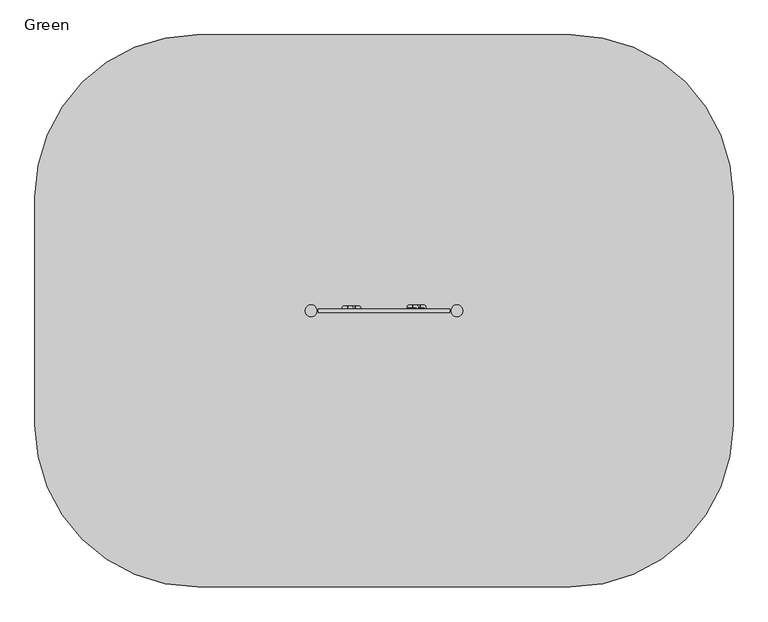
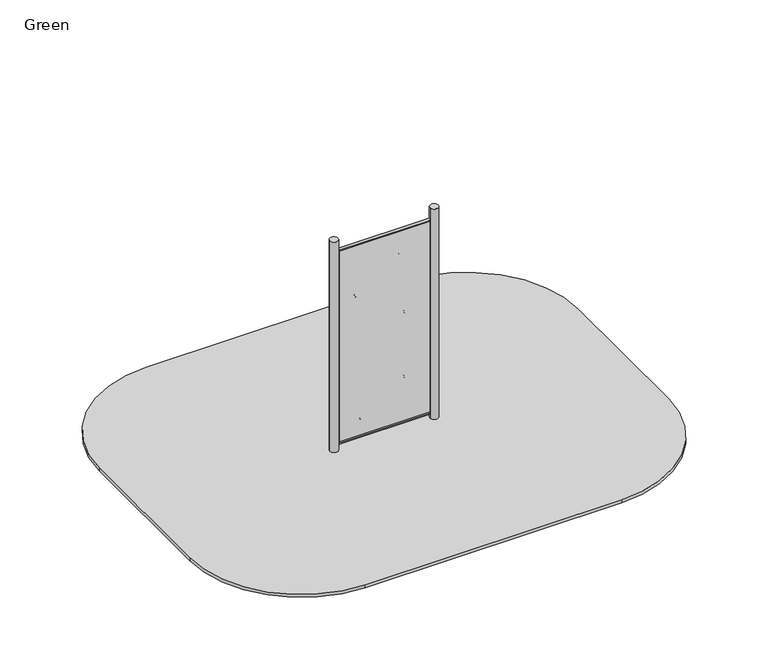
"""IFC4 building model written with IfcOpenShell, lengths in millimetres: furniture geometry, Green."""

from ifc_helpers import new_model, si_unit, point, frame, frame_2d, origin, place, context, project, spatial, polyline, circle_curve, ellipse_curve, trimmed, segment, composite_curve, outline, extrude, source, transform, mapped, element, save
from ifc_brep_helpers import plane_surface, revolved_surface, advanced_brep


def green_f680c6b8(model_context):
    return source(origin(), model_context, "Body", "SolidModel", [
        advanced_brep(
        [(-315.0, 7.5, 321.0), (-305.0, 7.5, 321.0), (-305.0, 23.6334312, 321.0), (-265.2, 23.6334312, 321.0), (-265.2, 43.6334312, 321.0), (-297.0940642, 43.6334312, 321.0), (-312.7429558, 34.554541, 321.0), (-215.0, 7.5, 321.0), (-217.2570442, 34.554541, 321.0), (-232.9059358, 43.6334312, 321.0), (-264.8, 43.6334312, 321.0), (-264.8, 23.6334312, 321.0), (-225.0, 23.6334312, 321.0), (-225.0, 7.5, 321.0)],
        [
            (0, 1),
            (1, 2),
            (2, 3),
            (3, 4),
            (4, 5),
            (5, 6, circle_curve(frame((-297.0940642, 25.6073263, 321.0), z_axis=(0.0, 0.0, 1.0), x_axis=(1.0, 0.0, 0.0)), 18.026105)),
            (6, 0, circle_curve(frame((-284.8486076, 18.606017, 321.0), z_axis=(0.0, 0.0, 1.0), x_axis=(1.0, 0.0, 0.0)), 32.1317612)),
            (7, 8, circle_curve(frame((-245.1513924, 18.606017, 321.0), z_axis=(0.0, 0.0, 1.0), x_axis=(-1.0, 0.0, 0.0)), 32.1317612)),
            (8, 9, circle_curve(frame((-232.9059358, 25.6073263, 321.0), z_axis=(0.0, 0.0, 1.0), x_axis=(-1.0, 0.0, 0.0)), 18.026105)),
            (9, 10),
            (10, 11),
            (11, 12),
            (12, 13),
            (13, 7),
            (13, 1, circle_curve(frame((-265.0, 7.5, 321.0), z_axis=(0.0, 1.0, 0.0), x_axis=(-1.0, 0.0, 0.0)), 40.0)),
            (0, 7, circle_curve(frame((-265.0, 7.5, 321.0), z_axis=(0.0, -1.0, 0.0), x_axis=(-1.0, 0.0, 0.0)), 50.0)),
            (12, 2, circle_curve(frame((-265.0, 23.6334312, 321.0), z_axis=(0.0, 1.0, 0.0), x_axis=(-1.0, 0.0, 0.0)), 40.0)),
            (9, 5, circle_curve(frame((-265.0, 43.6334312, 321.0), z_axis=(0.0, 1.0, 0.0), x_axis=(-1.0, 0.0, 0.0)), 32.0940642)),
            (4, 10, circle_curve(frame((-265.0, 43.6334312, 321.0), z_axis=(0.0, -1.0, 0.0), x_axis=(-1.0, 0.0, 0.0)), 0.2)),
            (11, 3, circle_curve(frame((-265.0, 23.6334312, 321.0), z_axis=(0.0, 1.0, 0.0), x_axis=(-1.0, 0.0, 0.0)), 0.2)),
            (8, 6, circle_curve(frame((-265.0, 34.554541, 321.0), z_axis=(0.0, 1.0, 0.0), x_axis=(-1.0, 0.0, 0.0)), 47.7429558)),
        ],
        [
            plane_surface(frame((-305.0, 7.5, 321.0), z_axis=(0.0, 0.0, 1.0), x_axis=(0.0, -1.0, 0.0))),
            plane_surface(frame((-225.0, 7.5, 321.0), z_axis=(0.0, 0.0, 1.0), x_axis=(0.0, -1.0, 0.0))),
            plane_surface(frame((-265.0, 7.5, 321.0), z_axis=(0.0, -1.0, 0.0), x_axis=(-1.0, 0.0, 0.0))),
            revolved_surface(polyline([(-305.0, 7.5, 321.0), (-305.0, 23.6334312, 321.0)]), (-265.0, 7.5, 321.0), (0.0, -1.0, 0.0)),
            plane_surface(frame((-265.0, 43.6334312, 321.0), z_axis=(0.0, 1.0, 0.0), x_axis=(-1.0, 0.0, 0.0))),
            plane_surface(frame((-265.0, 23.6334312, 321.0), z_axis=(0.0, -1.0, 0.0), x_axis=(-1.0, 0.0, 0.0))),
            revolved_surface(polyline([(-265.2, 23.6334312, 321.0), (-265.2, 43.6334312, 321.0)]), (-265.0, 7.5, 321.0), (0.0, -1.0, 0.0)),
            revolved_surface(trimmed(ellipse_curve(frame((-297.0940642, 25.6073263, 321.0), z_axis=(0.0, 0.0, 1.0), x_axis=(1.0, 0.0, 0.0)), 18.026105, 18.026105), [point((-297.0940642, 43.6334312, 321.0))], [point((-312.7429558, 34.554541, 321.0))], True, "CARTESIAN"), (-265.0, 7.5, 321.0), (0.0, -1.0, 0.0)),
            revolved_surface(trimmed(ellipse_curve(frame((-284.8486076, 18.606017, 321.0), z_axis=(0.0, 0.0, 1.0), x_axis=(1.0, 0.0, 0.0)), 32.1317612, 32.1317612), [point((-312.7429558, 34.554541, 321.0))], [point((-315.0, 7.5, 321.0))], True, "CARTESIAN"), (-265.0, 7.5, 321.0), (0.0, -1.0, 0.0)),
        ],
        [
            (0, [[1, 2, 3, 4, 5, 6, 7]]),
            (1, [[8, 9, 10, 11, 12, 13, 14]]),
            (2, [[15, -1, 16, -14]]),
            (3, [[17, -2, -15, -13]]),
            (4, [[18, -5, 19, -10]]),
            (5, [[20, -3, -17, -12]]),
            (6, [[-19, -4, -20, -11]]),
            (7, [[21, -6, -18, -9]]),
            (8, [[-16, -7, -21, -8]]),
        ],
    ),
        advanced_brep(
        [(287.0, 16.4999962, 1620.0), (297.0, 16.4999962, 1620.0), (297.0, 32.6334274, 1620.0), (336.8, 32.6334274, 1620.0), (336.8, 52.6334274, 1620.0), (304.9059358, 52.6334274, 1620.0), (289.2570442, 43.5545372, 1620.0), (387.0, 16.4999962, 1620.0), (384.7429558, 43.5545372, 1620.0), (369.0940642, 52.6334274, 1620.0), (337.2, 52.6334274, 1620.0), (337.2, 32.6334274, 1620.0), (377.0, 32.6334274, 1620.0), (377.0, 16.4999962, 1620.0)],
        [
            (0, 1),
            (1, 2),
            (2, 3),
            (3, 4),
            (4, 5),
            (5, 6, circle_curve(frame((304.9059358, 34.6073225, 1620.0), z_axis=(0.0, 0.0, 1.0), x_axis=(1.0, 0.0, 0.0)), 18.026105)),
            (6, 0, circle_curve(frame((317.1513924, 27.6060132, 1620.0), z_axis=(0.0, 0.0, 1.0), x_axis=(1.0, 0.0, 0.0)), 32.1317612)),
            (7, 8, circle_curve(frame((356.8486076, 27.6060132, 1620.0), z_axis=(0.0, 0.0, 1.0), x_axis=(-1.0, 0.0, 0.0)), 32.1317612)),
            (8, 9, circle_curve(frame((369.0940642, 34.6073225, 1620.0), z_axis=(0.0, 0.0, 1.0), x_axis=(-1.0, 0.0, 0.0)), 18.026105)),
            (9, 10),
            (10, 11),
            (11, 12),
            (12, 13),
            (13, 7),
            (13, 1, circle_curve(frame((337.0, 16.4999962, 1620.0), z_axis=(0.0, 1.0, 0.0), x_axis=(-1.0, 0.0, 0.0)), 40.0)),
            (0, 7, circle_curve(frame((337.0, 16.4999962, 1620.0), z_axis=(0.0, -1.0, 0.0), x_axis=(-1.0, 0.0, 0.0)), 50.0)),
            (12, 2, circle_curve(frame((337.0, 32.6334274, 1620.0), z_axis=(0.0, 1.0, 0.0), x_axis=(-1.0, 0.0, 0.0)), 40.0)),
            (9, 5, circle_curve(frame((337.0, 52.6334274, 1620.0), z_axis=(0.0, 1.0, 0.0), x_axis=(-1.0, 0.0, 0.0)), 32.0940642)),
            (4, 10, circle_curve(frame((337.0, 52.6334274, 1620.0), z_axis=(0.0, -1.0, 0.0), x_axis=(-1.0, 0.0, 0.0)), 0.2)),
            (11, 3, circle_curve(frame((337.0, 32.6334274, 1620.0), z_axis=(0.0, 1.0, 0.0), x_axis=(-1.0, 0.0, 0.0)), 0.2)),
            (8, 6, circle_curve(frame((337.0, 43.5545372, 1620.0), z_axis=(0.0, 1.0, 0.0), x_axis=(-1.0, 0.0, 0.0)), 47.7429558)),
        ],
        [
            plane_surface(frame((297.0, 16.4999962, 1620.0), z_axis=(0.0, 0.0, 1.0), x_axis=(0.0, -1.0, 0.0))),
            plane_surface(frame((377.0, 16.4999962, 1620.0), z_axis=(0.0, 0.0, 1.0), x_axis=(0.0, -1.0, 0.0))),
            plane_surface(frame((337.0, 16.4999962, 1620.0), z_axis=(0.0, -1.0, 0.0), x_axis=(-1.0, 0.0, 0.0))),
            revolved_surface(polyline([(297.0, 16.4999962, 1620.0), (297.0, 32.6334274, 1620.0)]), (337.0, 16.4999962, 1620.0), (0.0, -1.0, 0.0)),
            plane_surface(frame((337.0, 52.6334274, 1620.0), z_axis=(0.0, 1.0, 0.0), x_axis=(-1.0, 0.0, 0.0))),
            plane_surface(frame((337.0, 32.6334274, 1620.0), z_axis=(0.0, -1.0, 0.0), x_axis=(-1.0, 0.0, 0.0))),
            revolved_surface(polyline([(336.8, 32.6334274, 1620.0), (336.8, 52.6334274, 1620.0)]), (337.0, 16.4999962, 1620.0), (0.0, -1.0, 0.0)),
            revolved_surface(trimmed(ellipse_curve(frame((304.9059358, 34.6073225, 1620.0), z_axis=(0.0, 0.0, 1.0), x_axis=(1.0, 0.0, 0.0)), 18.026105, 18.026105), [point((304.9059358, 52.6334274, 1620.0))], [point((289.2570442, 43.5545372, 1620.0))], True, "CARTESIAN"), (337.0, 16.4999962, 1620.0), (0.0, -1.0, 0.0)),
            revolved_surface(trimmed(ellipse_curve(frame((317.1513924, 27.6060132, 1620.0), z_axis=(0.0, 0.0, 1.0), x_axis=(1.0, 0.0, 0.0)), 32.1317612, 32.1317612), [point((289.2570442, 43.5545372, 1620.0))], [point((287.0, 16.4999962, 1620.0))], True, "CARTESIAN"), (337.0, 16.4999962, 1620.0), (0.0, -1.0, 0.0)),
        ],
        [
            (0, [[1, 2, 3, 4, 5, 6, 7]]),
            (1, [[8, 9, 10, 11, 12, 13, 14]]),
            (2, [[15, -1, 16, -14]]),
            (3, [[17, -2, -15, -13]]),
            (4, [[18, -5, 19, -10]]),
            (5, [[20, -3, -17, -12]]),
            (6, [[-19, -4, -20, -11]]),
            (7, [[21, -6, -18, -9]]),
            (8, [[-16, -7, -21, -8]]),
        ],
    ),
        advanced_brep(
        [(287.0, 16.4999962, 700.0), (297.0, 16.4999962, 700.0), (297.0, 32.6334274, 700.0), (336.8, 32.6334274, 700.0), (336.8, 52.6334274, 700.0), (304.9059358, 52.6334274, 700.0), (289.2570442, 43.5545372, 700.0), (387.0, 16.4999962, 700.0), (384.7429558, 43.5545372, 700.0), (369.0940642, 52.6334274, 700.0), (337.2, 52.6334274, 700.0), (337.2, 32.6334274, 700.0), (377.0, 32.6334274, 700.0), (377.0, 16.4999962, 700.0)],
        [
            (0, 1),
            (1, 2),
            (2, 3),
            (3, 4),
            (4, 5),
            (5, 6, circle_curve(frame((304.9059358, 34.6073225, 700.0), z_axis=(0.0, 0.0, 1.0), x_axis=(1.0, 0.0, 0.0)), 18.026105)),
            (6, 0, circle_curve(frame((317.1513924, 27.6060132, 700.0), z_axis=(0.0, 0.0, 1.0), x_axis=(1.0, 0.0, 0.0)), 32.1317612)),
            (7, 8, circle_curve(frame((356.8486076, 27.6060132, 700.0), z_axis=(0.0, 0.0, 1.0), x_axis=(-1.0, 0.0, 0.0)), 32.1317612)),
            (8, 9, circle_curve(frame((369.0940642, 34.6073225, 700.0), z_axis=(0.0, 0.0, 1.0), x_axis=(-1.0, 0.0, 0.0)), 18.026105)),
            (9, 10),
            (10, 11),
            (11, 12),
            (12, 13),
            (13, 7),
            (13, 1, circle_curve(frame((337.0, 16.4999962, 700.0), z_axis=(0.0, 1.0, 0.0), x_axis=(-1.0, 0.0, 0.0)), 40.0)),
            (0, 7, circle_curve(frame((337.0, 16.4999962, 700.0), z_axis=(0.0, -1.0, 0.0), x_axis=(-1.0, 0.0, 0.0)), 50.0)),
            (12, 2, circle_curve(frame((337.0, 32.6334274, 700.0), z_axis=(0.0, 1.0, 0.0), x_axis=(-1.0, 0.0, 0.0)), 40.0)),
            (9, 5, circle_curve(frame((337.0, 52.6334274, 700.0), z_axis=(0.0, 1.0, 0.0), x_axis=(-1.0, 0.0, 0.0)), 32.0940642)),
            (4, 10, circle_curve(frame((337.0, 52.6334274, 700.0), z_axis=(0.0, -1.0, 0.0), x_axis=(-1.0, 0.0, 0.0)), 0.2)),
            (11, 3, circle_curve(frame((337.0, 32.6334274, 700.0), z_axis=(0.0, 1.0, 0.0), x_axis=(-1.0, 0.0, 0.0)), 0.2)),
            (8, 6, circle_curve(frame((337.0, 43.5545372, 700.0), z_axis=(0.0, 1.0, 0.0), x_axis=(-1.0, 0.0, 0.0)), 47.7429558)),
        ],
        [
            plane_surface(frame((297.0, 16.4999962, 700.0), z_axis=(0.0, 0.0, 1.0), x_axis=(0.0, -1.0, 0.0))),
            plane_surface(frame((377.0, 16.4999962, 700.0), z_axis=(0.0, 0.0, 1.0), x_axis=(0.0, -1.0, 0.0))),
            plane_surface(frame((337.0, 16.4999962, 700.0), z_axis=(0.0, -1.0, 0.0), x_axis=(-1.0, 0.0, 0.0))),
            revolved_surface(polyline([(297.0, 16.4999962, 700.0), (297.0, 32.6334274, 700.0)]), (337.0, 16.4999962, 700.0), (0.0, -1.0, 0.0)),
            plane_surface(frame((337.0, 52.6334274, 700.0), z_axis=(0.0, 1.0, 0.0), x_axis=(-1.0, 0.0, 0.0))),
            plane_surface(frame((337.0, 32.6334274, 700.0), z_axis=(0.0, -1.0, 0.0), x_axis=(-1.0, 0.0, 0.0))),
            revolved_surface(polyline([(336.8, 32.6334274, 700.0), (336.8, 52.6334274, 700.0)]), (337.0, 16.4999962, 700.0), (0.0, -1.0, 0.0)),
            revolved_surface(trimmed(ellipse_curve(frame((304.9059358, 34.6073225, 700.0), z_axis=(0.0, 0.0, 1.0), x_axis=(1.0, 0.0, 0.0)), 18.026105, 18.026105), [point((304.9059358, 52.6334274, 700.0))], [point((289.2570442, 43.5545372, 700.0))], True, "CARTESIAN"), (337.0, 16.4999962, 700.0), (0.0, -1.0, 0.0)),
            revolved_surface(trimmed(ellipse_curve(frame((317.1513924, 27.6060132, 700.0), z_axis=(0.0, 0.0, 1.0), x_axis=(1.0, 0.0, 0.0)), 32.1317612, 32.1317612), [point((289.2570442, 43.5545372, 700.0))], [point((287.0, 16.4999962, 700.0))], True, "CARTESIAN"), (337.0, 16.4999962, 700.0), (0.0, -1.0, 0.0)),
        ],
        [
            (0, [[1, 2, 3, 4, 5, 6, 7]]),
            (1, [[8, 9, 10, 11, 12, 13, 14]]),
            (2, [[15, -1, 16, -14]]),
            (3, [[17, -2, -15, -13]]),
            (4, [[18, -5, 19, -10]]),
            (5, [[20, -3, -17, -12]]),
            (6, [[-19, -4, -20, -11]]),
            (7, [[21, -6, -18, -9]]),
            (8, [[-16, -7, -21, -8]]),
        ],
    ),
        advanced_brep(
        [(215.0, 16.4999962, 2475.0), (225.0, 16.4999962, 2475.0), (225.0, 32.6334274, 2475.0), (264.8, 32.6334274, 2475.0), (264.8, 52.6334274, 2475.0), (232.9059358, 52.6334274, 2475.0), (217.2570442, 43.5545372, 2475.0), (315.0, 16.4999962, 2475.0), (312.7429558, 43.5545372, 2475.0), (297.0940642, 52.6334274, 2475.0), (265.2, 52.6334274, 2475.0), (265.2, 32.6334274, 2475.0), (305.0, 32.6334274, 2475.0), (305.0, 16.4999962, 2475.0)],
        [
            (0, 1),
            (1, 2),
            (2, 3),
            (3, 4),
            (4, 5),
            (5, 6, circle_curve(frame((232.9059358, 34.6073225, 2475.0), z_axis=(0.0, 0.0, 1.0), x_axis=(1.0, 0.0, 0.0)), 18.026105)),
            (6, 0, circle_curve(frame((245.1513924, 27.6060132, 2475.0), z_axis=(0.0, 0.0, 1.0), x_axis=(1.0, 0.0, 0.0)), 32.1317612)),
            (7, 8, circle_curve(frame((284.8486076, 27.6060132, 2475.0), z_axis=(0.0, 0.0, 1.0), x_axis=(-1.0, 0.0, 0.0)), 32.1317612)),
            (8, 9, circle_curve(frame((297.0940642, 34.6073225, 2475.0), z_axis=(0.0, 0.0, 1.0), x_axis=(-1.0, 0.0, 0.0)), 18.026105)),
            (9, 10),
            (10, 11),
            (11, 12),
            (12, 13),
            (13, 7),
            (13, 1, circle_curve(frame((265.0, 16.4999962, 2475.0), z_axis=(0.0, 1.0, 0.0), x_axis=(-1.0, 0.0, 0.0)), 40.0)),
            (0, 7, circle_curve(frame((265.0, 16.4999962, 2475.0), z_axis=(0.0, -1.0, 0.0), x_axis=(-1.0, 0.0, 0.0)), 50.0)),
            (12, 2, circle_curve(frame((265.0, 32.6334274, 2475.0), z_axis=(0.0, 1.0, 0.0), x_axis=(-1.0, 0.0, 0.0)), 40.0)),
            (9, 5, circle_curve(frame((265.0, 52.6334274, 2475.0), z_axis=(0.0, 1.0, 0.0), x_axis=(-1.0, 0.0, 0.0)), 32.0940642)),
            (4, 10, circle_curve(frame((265.0, 52.6334274, 2475.0), z_axis=(0.0, -1.0, 0.0), x_axis=(-1.0, 0.0, 0.0)), 0.2)),
            (11, 3, circle_curve(frame((265.0, 32.6334274, 2475.0), z_axis=(0.0, 1.0, 0.0), x_axis=(-1.0, 0.0, 0.0)), 0.2)),
            (8, 6, circle_curve(frame((265.0, 43.5545372, 2475.0), z_axis=(0.0, 1.0, 0.0), x_axis=(-1.0, 0.0, 0.0)), 47.7429558)),
        ],
        [
            plane_surface(frame((225.0, 16.4999962, 2475.0), z_axis=(0.0, 0.0, 1.0), x_axis=(0.0, -1.0, 0.0))),
            plane_surface(frame((305.0, 16.4999962, 2475.0), z_axis=(0.0, 0.0, 1.0), x_axis=(0.0, -1.0, 0.0))),
            plane_surface(frame((265.0, 16.4999962, 2475.0), z_axis=(0.0, -1.0, 0.0), x_axis=(-1.0, 0.0, 0.0))),
            revolved_surface(polyline([(225.0, 16.4999962, 2475.0), (225.0, 32.6334274, 2475.0)]), (265.0, 16.4999962, 2475.0), (0.0, -1.0, 0.0)),
            plane_surface(frame((265.0, 52.6334274, 2475.0), z_axis=(0.0, 1.0, 0.0), x_axis=(-1.0, 0.0, 0.0))),
            plane_surface(frame((265.0, 32.6334274, 2475.0), z_axis=(0.0, -1.0, 0.0), x_axis=(-1.0, 0.0, 0.0))),
            revolved_surface(polyline([(264.8, 32.6334274, 2475.0), (264.8, 52.6334274, 2475.0)]), (265.0, 16.4999962, 2475.0), (0.0, -1.0, 0.0)),
            revolved_surface(trimmed(ellipse_curve(frame((232.9059358, 34.6073225, 2475.0), z_axis=(0.0, 0.0, 1.0), x_axis=(1.0, 0.0, 0.0)), 18.026105, 18.026105), [point((232.9059358, 52.6334274, 2475.0))], [point((217.2570442, 43.5545372, 2475.0))], True, "CARTESIAN"), (265.0, 16.4999962, 2475.0), (0.0, -1.0, 0.0)),
            revolved_surface(trimmed(ellipse_curve(frame((245.1513924, 27.6060132, 2475.0), z_axis=(0.0, 0.0, 1.0), x_axis=(1.0, 0.0, 0.0)), 32.1317612, 32.1317612), [point((217.2570442, 43.5545372, 2475.0))], [point((215.0, 16.4999962, 2475.0))], True, "CARTESIAN"), (265.0, 16.4999962, 2475.0), (0.0, -1.0, 0.0)),
        ],
        [
            (0, [[1, 2, 3, 4, 5, 6, 7]]),
            (1, [[8, 9, 10, 11, 12, 13, 14]]),
            (2, [[15, -1, 16, -14]]),
            (3, [[17, -2, -15, -13]]),
            (4, [[18, -5, 19, -10]]),
            (5, [[20, -3, -17, -12]]),
            (6, [[-19, -4, -20, -11]]),
            (7, [[21, -6, -18, -9]]),
            (8, [[-16, -7, -21, -8]]),
        ],
    ),
        advanced_brep(
        [(-387.0, 7.5, 2095.0), (-377.0, 7.5, 2095.0), (-377.0, 23.6334312, 2095.0), (-337.2, 23.6334312, 2095.0), (-337.2, 43.6334312, 2095.0), (-369.0940642, 43.6334312, 2095.0), (-384.7429558, 34.554541, 2095.0), (-287.0, 7.5, 2095.0), (-289.2570442, 34.554541, 2095.0), (-304.9059358, 43.6334312, 2095.0), (-336.8, 43.6334312, 2095.0), (-336.8, 23.6334312, 2095.0), (-297.0, 23.6334312, 2095.0), (-297.0, 7.5, 2095.0)],
        [
            (0, 1),
            (1, 2),
            (2, 3),
            (3, 4),
            (4, 5),
            (5, 6, circle_curve(frame((-369.0940642, 25.6073263, 2095.0), z_axis=(0.0, 0.0, 1.0), x_axis=(1.0, 0.0, 0.0)), 18.026105)),
            (6, 0, circle_curve(frame((-356.8486076, 18.606017, 2095.0), z_axis=(0.0, 0.0, 1.0), x_axis=(1.0, 0.0, 0.0)), 32.1317612)),
            (7, 8, circle_curve(frame((-317.1513924, 18.606017, 2095.0), z_axis=(0.0, 0.0, 1.0), x_axis=(-1.0, 0.0, 0.0)), 32.1317612)),
            (8, 9, circle_curve(frame((-304.9059358, 25.6073263, 2095.0), z_axis=(0.0, 0.0, 1.0), x_axis=(-1.0, 0.0, 0.0)), 18.026105)),
            (9, 10),
            (10, 11),
            (11, 12),
            (12, 13),
            (13, 7),
            (13, 1, circle_curve(frame((-337.0, 7.5, 2095.0), z_axis=(0.0, 1.0, 0.0), x_axis=(-1.0, 0.0, 0.0)), 40.0)),
            (0, 7, circle_curve(frame((-337.0, 7.5, 2095.0), z_axis=(0.0, -1.0, 0.0), x_axis=(-1.0, 0.0, 0.0)), 50.0)),
            (12, 2, circle_curve(frame((-337.0, 23.6334312, 2095.0), z_axis=(0.0, 1.0, 0.0), x_axis=(-1.0, 0.0, 0.0)), 40.0)),
            (9, 5, circle_curve(frame((-337.0, 43.6334312, 2095.0), z_axis=(0.0, 1.0, 0.0), x_axis=(-1.0, 0.0, 0.0)), 32.0940642)),
            (4, 10, circle_curve(frame((-337.0, 43.6334312, 2095.0), z_axis=(0.0, -1.0, 0.0), x_axis=(-1.0, 0.0, 0.0)), 0.2)),
            (11, 3, circle_curve(frame((-337.0, 23.6334312, 2095.0), z_axis=(0.0, 1.0, 0.0), x_axis=(-1.0, 0.0, 0.0)), 0.2)),
            (8, 6, circle_curve(frame((-337.0, 34.554541, 2095.0), z_axis=(0.0, 1.0, 0.0), x_axis=(-1.0, 0.0, 0.0)), 47.7429558)),
        ],
        [
            plane_surface(frame((-377.0, 7.5, 2095.0), z_axis=(0.0, 0.0, 1.0), x_axis=(0.0, -1.0, 0.0))),
            plane_surface(frame((-297.0, 7.5, 2095.0), z_axis=(0.0, 0.0, 1.0), x_axis=(0.0, -1.0, 0.0))),
            plane_surface(frame((-337.0, 7.5, 2095.0), z_axis=(0.0, -1.0, 0.0), x_axis=(-1.0, 0.0, 0.0))),
            revolved_surface(polyline([(-377.0, 7.5, 2095.0), (-377.0, 23.6334312, 2095.0)]), (-337.0, 7.5, 2095.0), (0.0, -1.0, 0.0)),
            plane_surface(frame((-337.0, 43.6334312, 2095.0), z_axis=(0.0, 1.0, 0.0), x_axis=(-1.0, 0.0, 0.0))),
            plane_surface(frame((-337.0, 23.6334312, 2095.0), z_axis=(0.0, -1.0, 0.0), x_axis=(-1.0, 0.0, 0.0))),
            revolved_surface(polyline([(-337.2, 23.6334312, 2095.0), (-337.2, 43.6334312, 2095.0)]), (-337.0, 7.5, 2095.0), (0.0, -1.0, 0.0)),
            revolved_surface(trimmed(ellipse_curve(frame((-369.0940642, 25.6073263, 2095.0), z_axis=(0.0, 0.0, 1.0), x_axis=(1.0, 0.0, 0.0)), 18.026105, 18.026105), [point((-369.0940642, 43.6334312, 2095.0))], [point((-384.7429558, 34.554541, 2095.0))], True, "CARTESIAN"), (-337.0, 7.5, 2095.0), (0.0, -1.0, 0.0)),
            revolved_surface(trimmed(ellipse_curve(frame((-356.8486076, 18.606017, 2095.0), z_axis=(0.0, 0.0, 1.0), x_axis=(1.0, 0.0, 0.0)), 32.1317612, 32.1317612), [point((-384.7429558, 34.554541, 2095.0))], [point((-387.0, 7.5, 2095.0))], True, "CARTESIAN"), (-337.0, 7.5, 2095.0), (0.0, -1.0, 0.0)),
        ],
        [
            (0, [[1, 2, 3, 4, 5, 6, 7]]),
            (1, [[8, 9, 10, 11, 12, 13, 14]]),
            (2, [[15, -1, 16, -14]]),
            (3, [[17, -2, -15, -13]]),
            (4, [[18, -5, 19, -10]]),
            (5, [[20, -3, -17, -12]]),
            (6, [[-19, -4, -20, -11]]),
            (7, [[21, -6, -18, -9]]),
            (8, [[-16, -7, -21, -8]]),
        ],
    ),
        extrude(outline(polyline([(610.3, -7.5), (-610.3, -7.5), (-610.3, 7.5), (610.3, 7.5), (610.3, -7.5)])), frame((0.0, 0.0, 98.5), z_axis=(0.0, 0.0, 1.0), x_axis=(1.0, 0.0, 0.0)), (0.0, 0.0, 1.0), 2716.9369511),
        extrude(outline(composite_curve([segment(trimmed(circle_curve(frame_2d((0.0, 82.0)), 16.5), [point((-16.5, 82.0))], [point((16.5, 82.0))], False, "CARTESIAN"), True, "CONTINUOUS"), segment(trimmed(circle_curve(frame_2d((0.0, 82.0)), 16.5), [point((16.5, 82.0))], [point((-16.5, 82.0))], False, "CARTESIAN"), True, "CONTINUOUS")], self_intersect=False)), frame((-610.3, 0.0, 0.0), z_axis=(1.0, 0.0, 0.0), x_axis=(0.0, 1.0, 0.0)), (0.0, 0.0, 1.0), 1220.6),
        extrude(outline(composite_curve([segment(trimmed(circle_curve(frame_2d((0.0, 2831.9367793)), 16.5), [point((-16.5, 2831.9367793))], [point((16.5, 2831.9367793))], False, "CARTESIAN"), True, "CONTINUOUS"), segment(trimmed(circle_curve(frame_2d((0.0, 2831.9367793)), 16.5), [point((16.5, 2831.9367793))], [point((-16.5, 2831.9367793))], False, "CARTESIAN"), True, "CONTINUOUS")], self_intersect=False)), frame((-610.3, 0.0, 0.0), z_axis=(1.0, 0.0, 0.0), x_axis=(0.0, 1.0, 0.0)), (0.0, 0.0, 1.0), 1220.6),
        extrude(outline(composite_curve([segment(trimmed(circle_curve(frame_2d((1730.0, 1055.0)), 1500.0), [point((1730.0, 2555.0))], [point((3230.0, 1055.0))], False, "CARTESIAN"), True, "CONTINUOUS"), segment(polyline([(3230.0, 1055.0), (3230.0, -1055.0)]), True, "CONTINUOUS"), segment(trimmed(circle_curve(frame_2d((1730.0, -1055.0)), 1500.0), [point((3230.0, -1055.0))], [point((1730.0, -2555.0))], False, "CARTESIAN"), True, "CONTINUOUS"), segment(polyline([(1730.0, -2555.0), (-1730.0, -2555.0)]), True, "CONTINUOUS"), segment(trimmed(circle_curve(frame_2d((-1730.0, -1055.0)), 1500.0), [point((-1730.0, -2555.0))], [point((-3230.0, -1055.0))], False, "CARTESIAN"), True, "CONTINUOUS"), segment(polyline([(-3230.0, -1055.0), (-3230.0, 1055.0)]), True, "CONTINUOUS"), segment(trimmed(circle_curve(frame_2d((-1730.0, 1055.0)), 1500.0), [point((-3230.0, 1055.0))], [point((-1730.0, 2555.0))], False, "CARTESIAN"), True, "CONTINUOUS"), segment(polyline([(-1730.0, 2555.0), (1730.0, 2555.0)]), True, "CONTINUOUS")], self_intersect=False)), frame((0.0, 0.0, -40.0), z_axis=(0.0, 0.0, 1.0), x_axis=(1.0, 0.0, 0.0)), (0.0, 0.0, 1.0), 41.0),
        extrude(outline(composite_curve([segment(trimmed(circle_curve(frame_2d((-675.0, 0.0)), 55.0), [point((-730.0, 0.0))], [point((-620.0, 0.0))], False, "CARTESIAN"), True, "CONTINUOUS"), segment(trimmed(circle_curve(frame_2d((-675.0, 0.0)), 55.0), [point((-620.0, 0.0))], [point((-730.0, 0.0))], False, "CARTESIAN"), True, "CONTINUOUS")], self_intersect=False)), frame((0.0, 0.0, -100.0), z_axis=(0.0, 0.0, 1.0), x_axis=(1.0, 0.0, 0.0)), (0.0, 0.0, 1.0), 3100.0),
        extrude(outline(composite_curve([segment(trimmed(circle_curve(frame_2d((675.0, 0.0)), 55.0), [point((620.0, 0.0))], [point((730.0, 0.0))], False, "CARTESIAN"), True, "CONTINUOUS"), segment(trimmed(circle_curve(frame_2d((675.0, 0.0)), 55.0), [point((730.0, 0.0))], [point((620.0, 0.0))], False, "CARTESIAN"), True, "CONTINUOUS")], self_intersect=False)), frame((0.0, 0.0, -100.0), z_axis=(0.0, 0.0, 1.0), x_axis=(1.0, 0.0, 0.0)), (0.0, 0.0, 1.0), 3100.0),
    ])


if __name__ == "__main__":
    model = new_model("IFC4")
    model_context = context("Model", 3, world=origin())
    ifc_project = project(units=[si_unit("LENGTHUNIT", "METRE", prefix="MILLI")], contexts=[model_context])
    site = spatial("IfcSite", under=ifc_project)
    building = spatial("IfcBuilding", under=site)
    placement = place(None, origin())
    green_shape = green_f680c6b8(model_context)
    element("IfcFurniture", 1, ObjectType="Green", at=placement, inside=building, context=model_context, shape_type="MappedRepresentation", body=[
        mapped(green_shape, transform((0.0, 0.0, 0.0), x_axis=(1.0, 0.0, 0.0), y_axis=(0.0, 1.0, 0.0), z_axis=(0.0, 0.0, 1.0))),
    ])
    save(model, "model.ifc")
